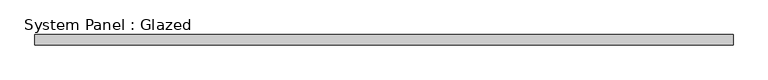
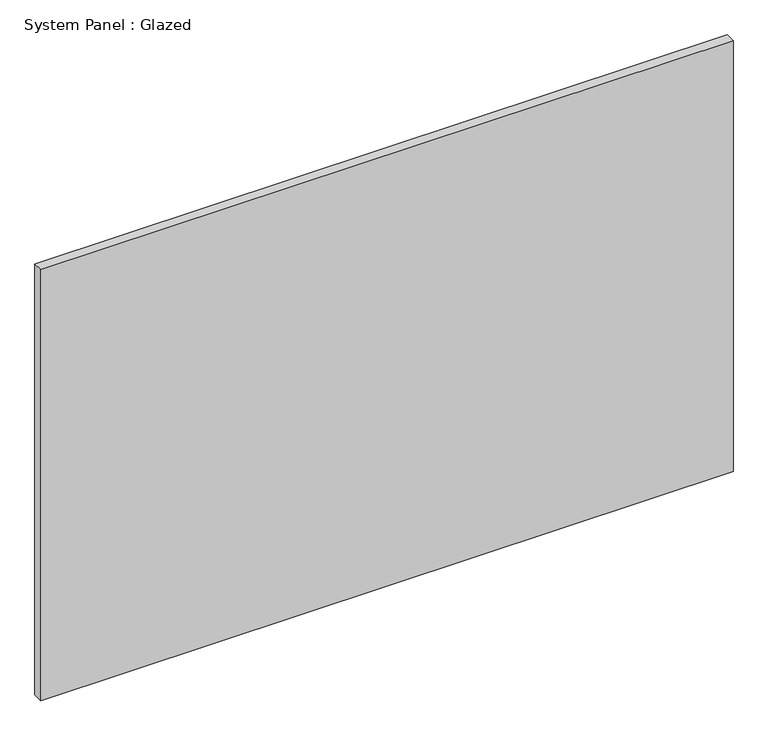
"""IFC4 building model written with IfcOpenShell, lengths in millimetres: plate geometry, System Panel : Glazed."""

from ifc_helpers import new_model, si_unit, origin, origin_with_axes, place, context, project, spatial, polyline, outline, extrude, source, transform, mapped, element, save


def system_panel_glazed_c7110707(model_context):
    return source(origin(), model_context, "Body", "SweptSolid", [
        extrude(outline(polyline([(872.5958333, -12.7), (-872.5958333, -12.7), (-872.5958333, 12.7), (872.5958333, 12.7), (872.5958333, -12.7)])), origin_with_axes(), (0.0, 0.0, 1.0), 1149.35),
    ])


if __name__ == "__main__":
    model = new_model("IFC4")
    model_context = context("Model", 3, world=origin())
    ifc_project = project(units=[si_unit("LENGTHUNIT", "METRE", prefix="MILLI")], contexts=[model_context])
    site = spatial("IfcSite", under=ifc_project)
    building = spatial("IfcBuilding", under=site)
    placement = place(None, origin())
    system_panel_glazed_shape = system_panel_glazed_c7110707(model_context)
    element("IfcPlate", 1, ObjectType="System Panel : Glazed", at=placement, inside=building, context=model_context, shape_type="MappedRepresentation", body=[
        mapped(system_panel_glazed_shape, transform((0.0, 0.0, 0.0), x_axis=(1.0, 0.0, 0.0), y_axis=(0.0, 1.0, 0.0), z_axis=(0.0, 0.0, 1.0))),
    ])
    save(model, "model.ifc")
